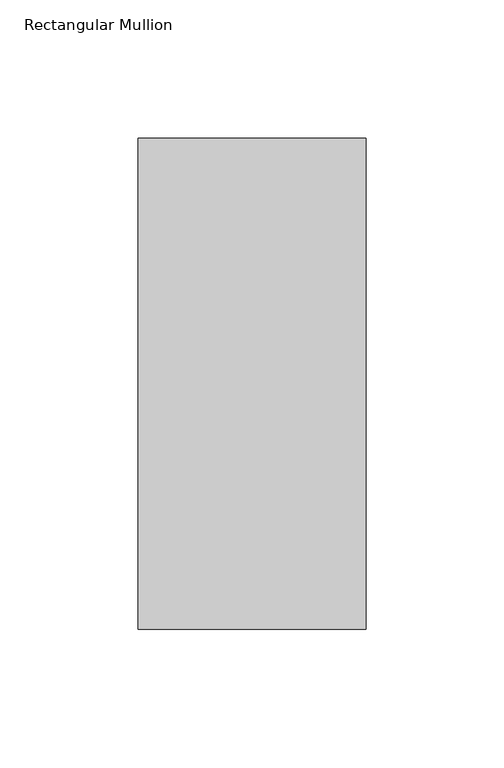
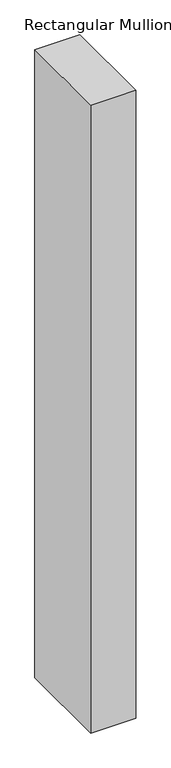
"""IFC4 building model written with IfcOpenShell, lengths in millimetres: member geometry, Rectangular Mullion."""

from ifc_helpers import new_model, si_unit, frame, origin, place, context, project, spatial, polyline, outline, extrude, source, transform, mapped, element, save


def rectangular_mullion_ebcf5a9c(model_context):
    return source(origin(), model_context, "Body", "SweptSolid", [
        extrude(outline(polyline([(-36.9405973, 149.225), (45.6094027, 149.225), (45.6094027, -28.575), (-36.9405973, -28.575), (-36.9405973, 149.225)])), frame((0.0, 0.0, -1219.2), z_axis=(0.0, 0.0, 1.0), x_axis=(1.0, 0.0, 0.0)), (0.0, 0.0, 1.0), 1219.2),
    ])


if __name__ == "__main__":
    model = new_model("IFC4")
    model_context = context("Model", 3, world=origin())
    ifc_project = project(units=[si_unit("LENGTHUNIT", "METRE", prefix="MILLI")], contexts=[model_context])
    site = spatial("IfcSite", under=ifc_project)
    building = spatial("IfcBuilding", under=site)
    placement = place(None, origin())
    rectangular_mullion_shape = rectangular_mullion_ebcf5a9c(model_context)
    element("IfcMember", 1, ObjectType="Rectangular Mullion", at=placement, inside=building, context=model_context, shape_type="MappedRepresentation", body=[
        mapped(rectangular_mullion_shape, transform((0.0, 0.0, 0.0), x_axis=(1.0, 0.0, 0.0), y_axis=(0.0, 1.0, 0.0), z_axis=(0.0, 0.0, 1.0))),
    ])
    save(model, "model.ifc")
